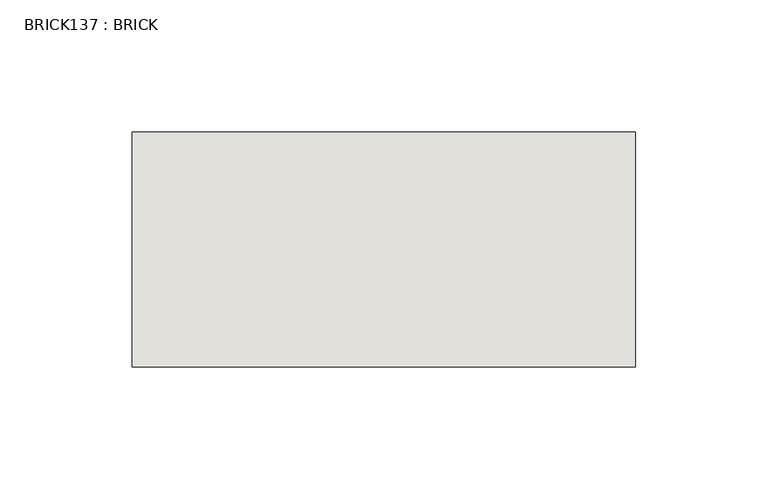
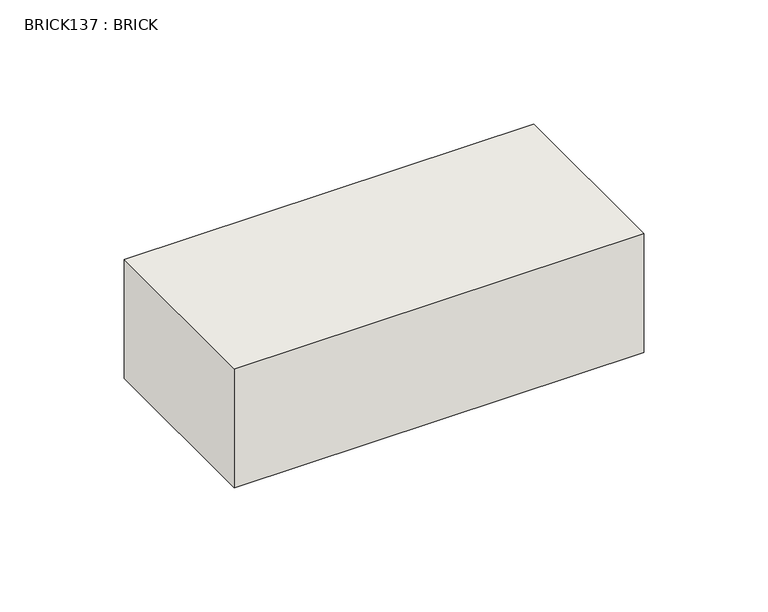
"""IFC4 building model written with IfcOpenShell, lengths in millimetres: wall geometry, BRICK137 : BRICK."""

from ifc_helpers import new_model, si_unit, frame, origin, place, context, project, spatial, polyline, outline, extrude, source, transform, mapped, element, save


def brick137_brick_c78d9470(model_context):
    return source(origin(), model_context, "Body", "SweptSolid", [
        extrude(outline(polyline([(225.2530711, 2586.2274125), (415.7530711, 2586.2274125), (415.7530711, 2497.3274125), (225.2530711, 2497.3274125), (225.2530711, 2586.2274125)])), frame((0.0, 0.0, 493.4148438), z_axis=(0.0, 0.0, 1.0), x_axis=(1.0, 0.0, 0.0)), (0.0, 0.0, 1.0), 58.4398437),
    ])


if __name__ == "__main__":
    model = new_model("IFC4")
    model_context = context("Model", 3, world=origin())
    ifc_project = project(units=[si_unit("LENGTHUNIT", "METRE", prefix="MILLI")], contexts=[model_context])
    site = spatial("IfcSite", under=ifc_project)
    building = spatial("IfcBuilding", under=site)
    placement = place(None, origin())
    brick137_brick_shape = brick137_brick_c78d9470(model_context)
    element("IfcWall", 1, ObjectType="BRICK137 : BRICK", at=placement, inside=building, context=model_context, shape_type="MappedRepresentation", body=[
        mapped(brick137_brick_shape, transform((0.0, 0.0, 0.0), x_axis=(1.0, 0.0, 0.0), y_axis=(0.0, 1.0, 0.0), z_axis=(0.0, 0.0, 1.0))),
    ])
    save(model, "model.ifc")
